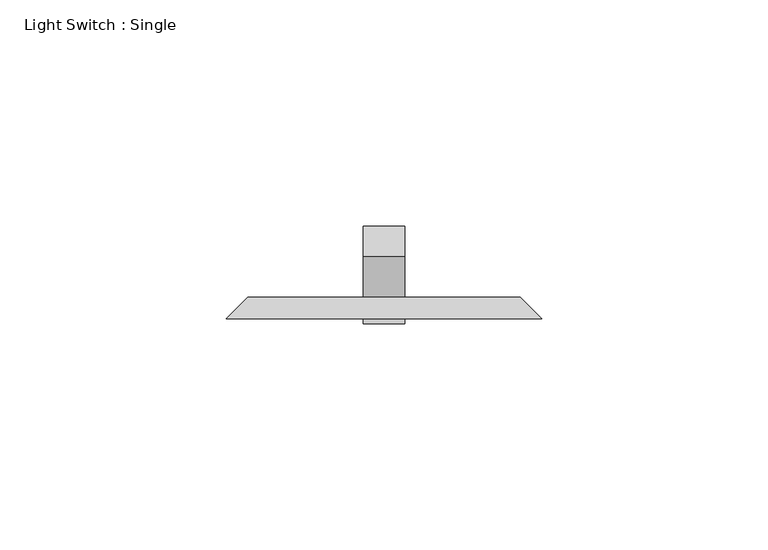
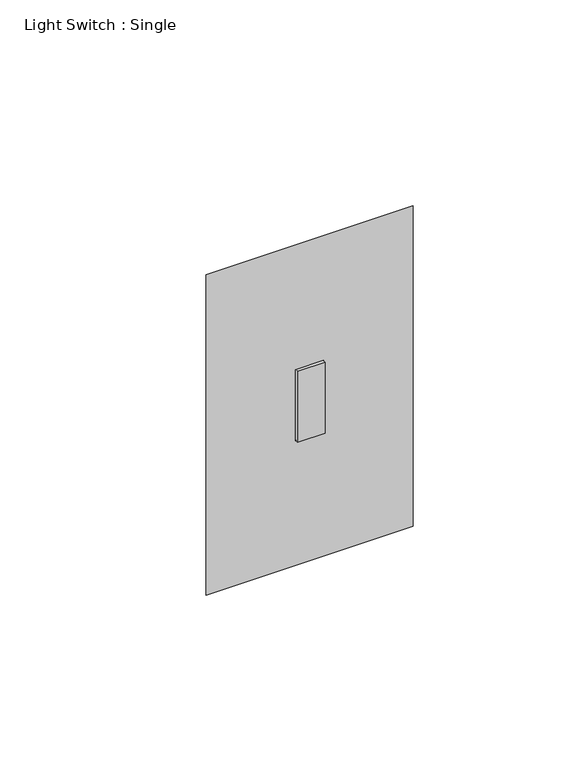
"""IFC4 building model written with IfcOpenShell, lengths in millimetres: proxy geometry, Light Switch : Single."""

import ifcopenshell
import ifcopenshell.guid

model = None  # the IFC model being written
_history = None  # IfcOwnerHistory: only IFC2X3 demands one
_inside = {}  # id of a spatial element -> (the spatial element, [elements in it])
_under = {}  # id of a project, library or spatial element -> (it, [spatial elements below it])
_declared = {}  # id of a project -> (the project, [libraries it declares])
_typed = {}  # id of a type object -> (the type object, [elements of that type])
_made_of = {}  # id of a material, layer set ... -> (it, [elements and type objects made of it])


def new_model(schema):
    """Start an empty IFC model of exactly this schema.

    Asked for "IFC4X3", IfcOpenShell would pick the latest addendum, in which some entities
    have other attributes; the version numbers below select the first issue.
    IFC2X3 requires an IfcOwnerHistory on every rooted entity: one is made here for all.
    """
    global model, _history
    if schema == "IFC4X3":
        model = ifcopenshell.file(schema_version=(4, 3, 0, 0))
    else:
        model = ifcopenshell.file(schema=schema)
    _inside.clear()
    _under.clear()
    _declared.clear()
    _typed.clear()
    _made_of.clear()
    _history = None
    if model.schema == "IFC2X3":
        org = make("IfcOrganization", Name="unknown")
        user = make(
            "IfcPersonAndOrganization",
            ThePerson=make("IfcPerson", FamilyName="unknown"),
            TheOrganization=org,
        )
        app = make(
            "IfcApplication",
            ApplicationDeveloper=org,
            Version="unknown",
            ApplicationFullName="unknown",
            ApplicationIdentifier="unknown",
        )
        _history = make(
            "IfcOwnerHistory",
            OwningUser=user,
            OwningApplication=app,
            ChangeAction="ADDED",
            CreationDate=0,
        )
    return model


def make(cls, **values):
    """One entity of the class cls with the attributes given. An attribute that is None is left unset."""
    return model.create_entity(
        cls, **{name: value for name, value in values.items() if value is not None}
    )


def rooted(cls, **values):
    """An entity with a GlobalId (a new one), such as an element, a storey or a relation."""
    return make(cls, GlobalId=ifcopenshell.guid.new(), OwnerHistory=_history, **values)


def si_unit(unit_type, name, prefix=None):
    """IfcSIUnit, for example si_unit("LENGTHUNIT", "METRE", prefix="MILLI")."""
    return make("IfcSIUnit", UnitType=unit_type, Prefix=prefix, Name=name)


def assignment(units):
    """IfcUnitAssignment: the units of a project."""
    return None if units is None else make("IfcUnitAssignment", Units=units)


def point(xyz):
    """IfcCartesianPoint."""
    return None if xyz is None else make("IfcCartesianPoint", Coordinates=xyz)


def direction(xyz):
    """IfcDirection."""
    return None if xyz is None else make("IfcDirection", DirectionRatios=xyz)


def frame(location, z_axis=None, x_axis=None):
    """IfcAxis2Placement3D, a coordinate frame: its origin and axes. An axis left out is left unset."""
    return make(
        "IfcAxis2Placement3D",
        Location=point(location),
        Axis=direction(z_axis),
        RefDirection=direction(x_axis),
    )


def origin():
    """The frame at (0, 0, 0) with its axes left unset."""
    return frame((0.0, 0.0, 0.0))


def place(relative_to, where):
    """IfcLocalPlacement: puts the frame where relative to a parent placement (None: the world)."""
    return make(
        "IfcLocalPlacement", PlacementRelTo=relative_to, RelativePlacement=where
    )


def context(
    kind, dimensions, precision=None, world=None, true_north=None, identifier=None
):
    """IfcGeometricRepresentationContext, for example the 3D "Model" context."""
    return make(
        "IfcGeometricRepresentationContext",
        ContextIdentifier=identifier,
        ContextType=kind,
        CoordinateSpaceDimension=dimensions,
        Precision=precision,
        WorldCoordinateSystem=world,
        TrueNorth=true_north,
    )


def project(units=None, contexts=None):
    """IfcProject with its units and contexts."""
    return rooted(
        "IfcProject",
        Name="project",
        RepresentationContexts=contexts,
        UnitsInContext=assignment(units),
    )


def spatial(cls, under=None, at=None, **own):
    """A site, building, storey or space (cls), placed at a placement, below another one or the project."""
    s = rooted(cls, ObjectPlacement=at, **own)
    if under is not None:
        _under.setdefault(under.id(), (under, []))[1].append(s)
    return s


def polyline(points):
    """IfcPolyline through the points."""
    return make("IfcPolyline", Points=[point(p) for p in points])


def outline(outer, holes=None, kind="AREA"):
    """IfcArbitraryClosedProfileDef: a profile drawn as a closed curve; with holes, ...WithVoids."""
    if holes is None:
        return make("IfcArbitraryClosedProfileDef", ProfileType=kind, OuterCurve=outer)
    return make(
        "IfcArbitraryProfileDefWithVoids",
        ProfileType=kind,
        OuterCurve=outer,
        InnerCurves=holes,
    )


def extrude(swept, where, along, depth):
    """IfcExtrudedAreaSolid: the profile swept, set in the frame where, extruded along a direction by depth."""
    return make(
        "IfcExtrudedAreaSolid",
        SweptArea=swept,
        Position=where,
        ExtrudedDirection=direction(along),
        Depth=depth,
    )


def faces_of(points, faces, orient=None, outer=None):
    """IfcFace entities. A face is a list of loops; a loop is a list of indices into points, from 0.

    orient and outer hold one flag for each loop. By default every Orientation is true, the
    first loop of a face is its IfcFaceOuterBound and the others are IfcFaceBound.
    """
    made = []
    for i, loops in enumerate(faces):
        bounds = []
        for j, loop in enumerate(loops):
            is_outer = j == 0 if outer is None else outer[i][j]
            bounds.append(
                make(
                    "IfcFaceOuterBound" if is_outer else "IfcFaceBound",
                    Bound=make("IfcPolyLoop", Polygon=[points[k] for k in loop]),
                    Orientation=True if orient is None else orient[i][j],
                )
            )
        made.append(make("IfcFace", Bounds=bounds))
    return made


def faceted_brep(points, faces, orient=None, outer=None, voids=None):
    """IfcFacetedBrep: a solid bounded by flat faces; with voids (closed shells), ...WithVoids."""
    shared = [point(p) for p in points]
    hull = make("IfcClosedShell", CfsFaces=faces_of(shared, faces, orient, outer))
    if voids is None:
        return make("IfcFacetedBrep", Outer=hull)
    return make(
        "IfcFacetedBrepWithVoids",
        Outer=hull,
        Voids=[
            make(cls, CfsFaces=faces_of(shared, fs, o, b)) for cls, fs, o, b in voids
        ],
    )


def shape(context_of_items, identifier, shape_type, items):
    """IfcShapeRepresentation: the items that make up one representation, for example the "Body"."""
    return make(
        "IfcShapeRepresentation",
        ContextOfItems=context_of_items,
        RepresentationIdentifier=identifier,
        RepresentationType=shape_type,
        Items=items,
    )


def source(mapping_origin, context_of_items, identifier, shape_type, items):
    """IfcRepresentationMap: a shape defined once, which mapped items show again and again."""
    return make(
        "IfcRepresentationMap",
        MappingOrigin=mapping_origin,
        MappedRepresentation=shape(context_of_items, identifier, shape_type, items),
    )


def transform(
    local_origin,
    x_axis=None,
    y_axis=None,
    z_axis=None,
    scale=None,
    scale2=None,
    scale3=None,
    uniform=True,
):
    """IfcCartesianTransformationOperator3D, or its non-uniform kind. x_axis, y_axis, z_axis: its Axis1, 2, 3."""
    if uniform:
        return make(
            "IfcCartesianTransformationOperator3D",
            Axis1=direction(x_axis),
            Axis2=direction(y_axis),
            LocalOrigin=point(local_origin),
            Scale=scale,
            Axis3=direction(z_axis),
        )
    return make(
        "IfcCartesianTransformationOperator3DnonUniform",
        Axis1=direction(x_axis),
        Axis2=direction(y_axis),
        LocalOrigin=point(local_origin),
        Scale=scale,
        Axis3=direction(z_axis),
        Scale2=scale2,
        Scale3=scale3,
    )


def mapped(mapping_source, mapping_target):
    """IfcMappedItem: shows the shape of a source again, moved by a transform."""
    return make(
        "IfcMappedItem", MappingSource=mapping_source, MappingTarget=mapping_target
    )


def made_of(thing, what):
    """Note that an element or type object is made of a material, layer set ...; save() writes the relation."""
    if what is not None:
        _made_of.setdefault(what.id(), (what, []))[1].append(thing)
    return thing


def element(
    cls,
    number,
    at=None,
    inside=None,
    cuts=None,
    type_object=None,
    material=None,
    context=None,
    identifier="Body",
    shape_type=None,
    held_by="IfcProductDefinitionShape",
    body=None,
    shapes=None,
    **own,
):
    """One element of the class cls, such as IfcWall. Its Tag is "e" and its number.

    at: its placement. inside: the storey or other place that contains it. cuts: it is an
    opening in that element (IfcRelVoidsElement). A single representation is given by context,
    identifier, shape_type and body (its items); several are given by shapes. held_by: the class
    of the entity that holds the representations. save() writes the other relations.
    """
    e = rooted(cls, Tag="e%d" % number, ObjectPlacement=at, **own)
    if body is not None:
        shapes = [shape(context, identifier, shape_type, body)]
    if shapes is not None:
        e.Representation = make(held_by, Representations=shapes)
    if inside is not None:
        _inside.setdefault(inside.id(), (inside, []))[1].append(e)
    if cuts is not None:
        rooted(
            "IfcRelVoidsElement", RelatingBuildingElement=cuts, RelatedOpeningElement=e
        )
    if type_object is not None:
        _typed.setdefault(type_object.id(), (type_object, []))[1].append(e)
    return made_of(e, material)


def aggregate(whole, parts):
    """IfcRelAggregates: a whole, such as a stair, and the parts it consists of."""
    return rooted("IfcRelAggregates", RelatingObject=whole, RelatedObjects=parts)


def save(model, path):
    """Write the relations noted so far, then the file.

    IfcRelAggregates (storeys below a building ...), IfcRelContainedInSpatialStructure (elements
    in a storey), IfcRelDefinesByType, IfcRelAssociatesMaterial and IfcRelDeclares: one each for
    every whole, place, type object, material and project.
    """
    for whole, parts in _under.values():
        aggregate(whole, parts)
    for where, things in _inside.values():
        rooted(
            "IfcRelContainedInSpatialStructure",
            RelatedElements=things,
            RelatingStructure=where,
        )
    for kind, things in _typed.values():
        rooted("IfcRelDefinesByType", RelatedObjects=things, RelatingType=kind)
    for what, things in _made_of.values():
        rooted("IfcRelAssociatesMaterial", RelatedObjects=things, RelatingMaterial=what)
    for by, libraries in _declared.values():
        rooted("IfcRelDeclares", RelatingContext=by, RelatedDefinitions=libraries)
    model.write(path)


def light_switch_single_56169005(model_context):
    return source(origin(), model_context, "Body", "SolidModel", [
        faceted_brep([(-30.1625, 106.3625, 357.1875), (30.1625, 106.3625, 357.1875), (30.1625, 106.3625, 252.4125), (-30.1625, 106.3625, 252.4125), (-4.7625, 106.3625, 317.5), (-4.7625, 106.3625, 292.1), (4.7625, 106.3625, 292.1), (4.7625, 106.3625, 317.5), (-34.925, 101.6, 361.95), (-34.925, 101.6, 247.65), (34.925, 101.6, 247.65), (34.925, 101.6, 361.95), (-4.7625, 101.6, 292.1), (-4.7625, 101.6, 317.5), (4.7625, 101.6, 317.5), (4.7625, 101.6, 292.1)], [[[0, 1, 2, 3], [4, 5, 6, 7]], [[8, 9, 10, 11], [12, 13, 14, 15]], [[1, 0, 8, 11]], [[2, 1, 11, 10]], [[3, 2, 10, 9]], [[0, 3, 9, 8]], [[4, 13, 12, 5]], [[5, 12, 15, 6]], [[6, 15, 14, 7]], [[13, 4, 7, 14]]]),
        extrude(outline(polyline([(115.3427561, 325.4978515), (122.0779482, 318.7626595), (106.3625, 303.0472112), (106.3625, 294.247253), (105.1227829, 292.1), (100.5108809, 292.1), (100.5108809, 317.5), (105.3800954, 317.5), (106.3625, 316.5175954), (115.3427561, 325.4978515)])), frame((-4.6077278, 0.0, 0.0), z_axis=(1.0, 0.0, 0.0), x_axis=(0.0, 1.0, 0.0)), (0.0, 0.0, 1.0), 9.2225805),
    ])


if __name__ == "__main__":
    model = new_model("IFC4")
    model_context = context("Model", 3, world=origin())
    ifc_project = project(units=[si_unit("LENGTHUNIT", "METRE", prefix="MILLI")], contexts=[model_context])
    site = spatial("IfcSite", under=ifc_project)
    building = spatial("IfcBuilding", under=site)
    placement = place(None, origin())
    light_switch_single_shape = light_switch_single_56169005(model_context)
    element("IfcBuildingElementProxy", 1, Name="Light Switch : Single", ObjectType="Light Switch : Single", at=placement, inside=building, context=model_context, shape_type="MappedRepresentation", body=[
        mapped(light_switch_single_shape, transform((0.0, 0.0, 0.0), x_axis=(1.0, 0.0, 0.0), y_axis=(0.0, 1.0, 0.0), z_axis=(0.0, 0.0, 1.0))),
    ])
    save(model, "model.ifc")
